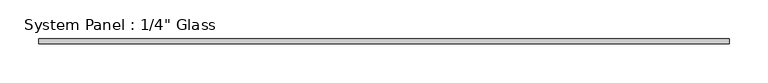
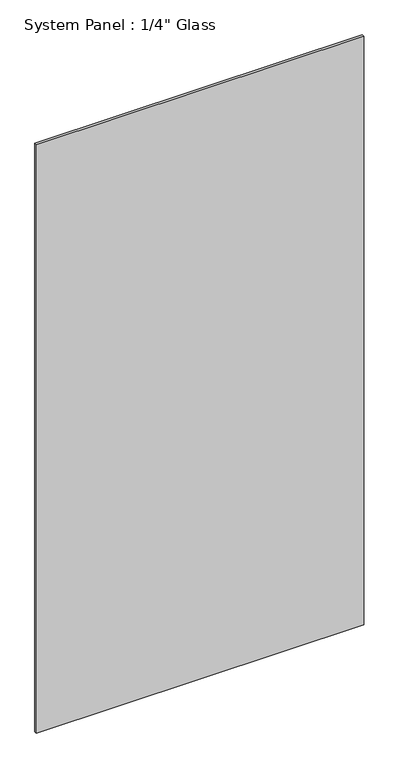
"""IFC4 building model written with IfcOpenShell, lengths in millimetres: plate geometry."""

import ifcopenshell
import ifcopenshell.guid

model = None  # the IFC model being written
_history = None  # IfcOwnerHistory: only IFC2X3 demands one
_inside = {}  # id of a spatial element -> (the spatial element, [elements in it])
_under = {}  # id of a project, library or spatial element -> (it, [spatial elements below it])
_declared = {}  # id of a project -> (the project, [libraries it declares])
_typed = {}  # id of a type object -> (the type object, [elements of that type])
_made_of = {}  # id of a material, layer set ... -> (it, [elements and type objects made of it])


def new_model(schema):
    """Start an empty IFC model of exactly this schema.

    Asked for "IFC4X3", IfcOpenShell would pick the latest addendum, in which some entities
    have other attributes; the version numbers below select the first issue.
    IFC2X3 requires an IfcOwnerHistory on every rooted entity: one is made here for all.
    """
    global model, _history
    if schema == "IFC4X3":
        model = ifcopenshell.file(schema_version=(4, 3, 0, 0))
    else:
        model = ifcopenshell.file(schema=schema)
    _inside.clear()
    _under.clear()
    _declared.clear()
    _typed.clear()
    _made_of.clear()
    _history = None
    if model.schema == "IFC2X3":
        org = make("IfcOrganization", Name="unknown")
        user = make(
            "IfcPersonAndOrganization",
            ThePerson=make("IfcPerson", FamilyName="unknown"),
            TheOrganization=org,
        )
        app = make(
            "IfcApplication",
            ApplicationDeveloper=org,
            Version="unknown",
            ApplicationFullName="unknown",
            ApplicationIdentifier="unknown",
        )
        _history = make(
            "IfcOwnerHistory",
            OwningUser=user,
            OwningApplication=app,
            ChangeAction="ADDED",
            CreationDate=0,
        )
    return model


def make(cls, **values):
    """One entity of the class cls with the attributes given. An attribute that is None is left unset."""
    return model.create_entity(
        cls, **{name: value for name, value in values.items() if value is not None}
    )


def rooted(cls, **values):
    """An entity with a GlobalId (a new one), such as an element, a storey or a relation."""
    return make(cls, GlobalId=ifcopenshell.guid.new(), OwnerHistory=_history, **values)


def si_unit(unit_type, name, prefix=None):
    """IfcSIUnit, for example si_unit("LENGTHUNIT", "METRE", prefix="MILLI")."""
    return make("IfcSIUnit", UnitType=unit_type, Prefix=prefix, Name=name)


def assignment(units):
    """IfcUnitAssignment: the units of a project."""
    return None if units is None else make("IfcUnitAssignment", Units=units)


def point(xyz):
    """IfcCartesianPoint."""
    return None if xyz is None else make("IfcCartesianPoint", Coordinates=xyz)


def direction(xyz):
    """IfcDirection."""
    return None if xyz is None else make("IfcDirection", DirectionRatios=xyz)


def frame(location, z_axis=None, x_axis=None):
    """IfcAxis2Placement3D, a coordinate frame: its origin and axes. An axis left out is left unset."""
    return make(
        "IfcAxis2Placement3D",
        Location=point(location),
        Axis=direction(z_axis),
        RefDirection=direction(x_axis),
    )


def origin():
    """The frame at (0, 0, 0) with its axes left unset."""
    return frame((0.0, 0.0, 0.0))


def origin_with_axes():
    """The frame at (0, 0, 0) with the z axis (0, 0, 1) and the x axis (1, 0, 0) written out."""
    return frame((0.0, 0.0, 0.0), z_axis=(0.0, 0.0, 1.0), x_axis=(1.0, 0.0, 0.0))


def place(relative_to, where):
    """IfcLocalPlacement: puts the frame where relative to a parent placement (None: the world)."""
    return make(
        "IfcLocalPlacement", PlacementRelTo=relative_to, RelativePlacement=where
    )


def context(
    kind, dimensions, precision=None, world=None, true_north=None, identifier=None
):
    """IfcGeometricRepresentationContext, for example the 3D "Model" context."""
    return make(
        "IfcGeometricRepresentationContext",
        ContextIdentifier=identifier,
        ContextType=kind,
        CoordinateSpaceDimension=dimensions,
        Precision=precision,
        WorldCoordinateSystem=world,
        TrueNorth=true_north,
    )


def project(units=None, contexts=None):
    """IfcProject with its units and contexts."""
    return rooted(
        "IfcProject",
        Name="project",
        RepresentationContexts=contexts,
        UnitsInContext=assignment(units),
    )


def spatial(cls, under=None, at=None, **own):
    """A site, building, storey or space (cls), placed at a placement, below another one or the project."""
    s = rooted(cls, ObjectPlacement=at, **own)
    if under is not None:
        _under.setdefault(under.id(), (under, []))[1].append(s)
    return s


def polyline(points):
    """IfcPolyline through the points."""
    return make("IfcPolyline", Points=[point(p) for p in points])


def outline(outer, holes=None, kind="AREA"):
    """IfcArbitraryClosedProfileDef: a profile drawn as a closed curve; with holes, ...WithVoids."""
    if holes is None:
        return make("IfcArbitraryClosedProfileDef", ProfileType=kind, OuterCurve=outer)
    return make(
        "IfcArbitraryProfileDefWithVoids",
        ProfileType=kind,
        OuterCurve=outer,
        InnerCurves=holes,
    )


def extrude(swept, where, along, depth):
    """IfcExtrudedAreaSolid: the profile swept, set in the frame where, extruded along a direction by depth."""
    return make(
        "IfcExtrudedAreaSolid",
        SweptArea=swept,
        Position=where,
        ExtrudedDirection=direction(along),
        Depth=depth,
    )


def shape(context_of_items, identifier, shape_type, items):
    """IfcShapeRepresentation: the items that make up one representation, for example the "Body"."""
    return make(
        "IfcShapeRepresentation",
        ContextOfItems=context_of_items,
        RepresentationIdentifier=identifier,
        RepresentationType=shape_type,
        Items=items,
    )


def source(mapping_origin, context_of_items, identifier, shape_type, items):
    """IfcRepresentationMap: a shape defined once, which mapped items show again and again."""
    return make(
        "IfcRepresentationMap",
        MappingOrigin=mapping_origin,
        MappedRepresentation=shape(context_of_items, identifier, shape_type, items),
    )


def transform(
    local_origin,
    x_axis=None,
    y_axis=None,
    z_axis=None,
    scale=None,
    scale2=None,
    scale3=None,
    uniform=True,
):
    """IfcCartesianTransformationOperator3D, or its non-uniform kind. x_axis, y_axis, z_axis: its Axis1, 2, 3."""
    if uniform:
        return make(
            "IfcCartesianTransformationOperator3D",
            Axis1=direction(x_axis),
            Axis2=direction(y_axis),
            LocalOrigin=point(local_origin),
            Scale=scale,
            Axis3=direction(z_axis),
        )
    return make(
        "IfcCartesianTransformationOperator3DnonUniform",
        Axis1=direction(x_axis),
        Axis2=direction(y_axis),
        LocalOrigin=point(local_origin),
        Scale=scale,
        Axis3=direction(z_axis),
        Scale2=scale2,
        Scale3=scale3,
    )


def mapped(mapping_source, mapping_target):
    """IfcMappedItem: shows the shape of a source again, moved by a transform."""
    return make(
        "IfcMappedItem", MappingSource=mapping_source, MappingTarget=mapping_target
    )


def made_of(thing, what):
    """Note that an element or type object is made of a material, layer set ...; save() writes the relation."""
    if what is not None:
        _made_of.setdefault(what.id(), (what, []))[1].append(thing)
    return thing


def element(
    cls,
    number,
    at=None,
    inside=None,
    cuts=None,
    type_object=None,
    material=None,
    context=None,
    identifier="Body",
    shape_type=None,
    held_by="IfcProductDefinitionShape",
    body=None,
    shapes=None,
    **own,
):
    """One element of the class cls, such as IfcWall. Its Tag is "e" and its number.

    at: its placement. inside: the storey or other place that contains it. cuts: it is an
    opening in that element (IfcRelVoidsElement). A single representation is given by context,
    identifier, shape_type and body (its items); several are given by shapes. held_by: the class
    of the entity that holds the representations. save() writes the other relations.
    """
    e = rooted(cls, Tag="e%d" % number, ObjectPlacement=at, **own)
    if body is not None:
        shapes = [shape(context, identifier, shape_type, body)]
    if shapes is not None:
        e.Representation = make(held_by, Representations=shapes)
    if inside is not None:
        _inside.setdefault(inside.id(), (inside, []))[1].append(e)
    if cuts is not None:
        rooted(
            "IfcRelVoidsElement", RelatingBuildingElement=cuts, RelatedOpeningElement=e
        )
    if type_object is not None:
        _typed.setdefault(type_object.id(), (type_object, []))[1].append(e)
    return made_of(e, material)


def aggregate(whole, parts):
    """IfcRelAggregates: a whole, such as a stair, and the parts it consists of."""
    return rooted("IfcRelAggregates", RelatingObject=whole, RelatedObjects=parts)


def save(model, path):
    """Write the relations noted so far, then the file.

    IfcRelAggregates (storeys below a building ...), IfcRelContainedInSpatialStructure (elements
    in a storey), IfcRelDefinesByType, IfcRelAssociatesMaterial and IfcRelDeclares: one each for
    every whole, place, type object, material and project.
    """
    for whole, parts in _under.values():
        aggregate(whole, parts)
    for where, things in _inside.values():
        rooted(
            "IfcRelContainedInSpatialStructure",
            RelatedElements=things,
            RelatingStructure=where,
        )
    for kind, things in _typed.values():
        rooted("IfcRelDefinesByType", RelatedObjects=things, RelatingType=kind)
    for what, things in _made_of.values():
        rooted("IfcRelAssociatesMaterial", RelatedObjects=things, RelatingMaterial=what)
    for by, libraries in _declared.values():
        rooted("IfcRelDeclares", RelatingContext=by, RelatedDefinitions=libraries)
    model.write(path)


def plate_22f2db1c(model_context):
    return source(origin(), model_context, "Body", "SweptSolid", [
        extrude(outline(polyline([(446.0875, -3.175), (-446.0875, -3.175), (-446.0875, 3.175), (446.0875, 3.175), (446.0875, -3.175)])), origin_with_axes(), (0.0, 0.0, 1.0), 1695.45),
    ])


if __name__ == "__main__":
    model = new_model("IFC4")
    model_context = context("Model", 3, world=origin())
    ifc_project = project(units=[si_unit("LENGTHUNIT", "METRE", prefix="MILLI")], contexts=[model_context])
    site = spatial("IfcSite", under=ifc_project)
    building = spatial("IfcBuilding", under=site)
    placement = place(None, origin())
    plate_shape = plate_22f2db1c(model_context)
    element("IfcPlate", 1, ObjectType="System Panel : 1/4\" Glass", at=placement, inside=building, context=model_context, shape_type="MappedRepresentation", body=[
        mapped(plate_shape, transform((0.0, 0.0, 0.0), x_axis=(1.0, 0.0, 0.0), y_axis=(0.0, 1.0, 0.0), z_axis=(0.0, 0.0, 1.0))),
    ])
    save(model, "model.ifc")
